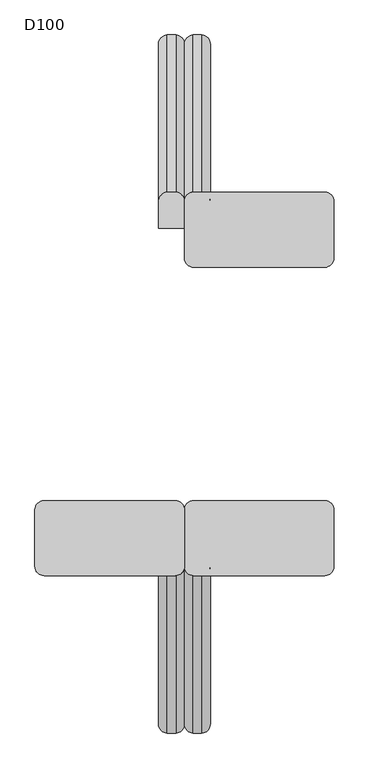
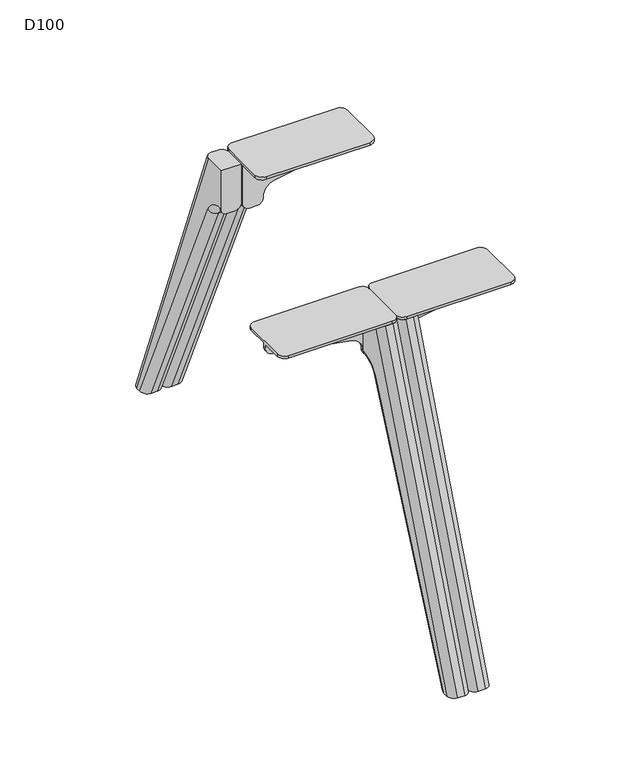
"""IFC4 building model written with IfcOpenShell, lengths in millimetres: furniture geometry, D100."""

from ifc_helpers import new_model, si_unit, point, frame, origin, place, context, project, spatial, polyline, circle_curve, ellipse_curve, trimmed, source, transform, mapped, element, save
from ifc_brep_helpers import plane_surface, cylinder_surface, revolved_surface, advanced_brep


def d100_0b117bc7(model_context):
    return source(origin(), model_context, "Body", "AdvancedBrep", [
        advanced_brep(
        [(-15.0, 272.7758244, 596.0), (0.0, 272.7758244, 611.0), (0.0, 270.7236545, 611.0), (-15.0, 270.7236545, 596.0), (-45.0, 272.7758244, 611.0), (-30.0, 272.7758244, 596.0), (-30.0, 270.7236545, 596.0), (-45.0, 270.7236545, 611.0), (0.0, 319.3435487, 580.82862), (-15.0, 305.6533176, 574.6985653), (-15.0, 562.9852524, 0.0), (0.0, 579.4203292, 0.0), (-30.0, 305.6533176, 574.6985653), (-45.0, 319.3435487, 580.82862), (-45.0, 579.4203292, 0.0), (-30.0, 562.9852524, 0.0), (-45.0, 270.7236545, 700.0), (-45.0, 316.6217076, 700.0), (-45.0, 589.8218305, 0.0), (0.0, 270.7236545, 700.0), (0.0, 589.8218305, 0.0), (0.0, 316.6217076, 700.0), (-15.0, 332.7236545, 700.0), (-30.0, 332.7236545, 700.0), (-15.0, 605.9237773, 0.0), (-30.0, 605.9237773, 0.0)],
        [
            (0, 1, circle_curve(frame((-15.0, 272.7758244, 611.0), z_axis=(0.0, -1.0, 0.0), x_axis=(0.0, 0.0, -1.0)), 15.0)),
            (1, 2),
            (2, 3, circle_curve(frame((-15.0, 270.7236545, 611.0), z_axis=(0.0, 1.0, 0.0), x_axis=(0.0, 0.0, -1.0)), 15.0)),
            (3, 0),
            (4, 5, circle_curve(frame((-30.0, 272.7758244, 611.0), z_axis=(0.0, -1.0, 0.0), x_axis=(0.0, 0.0, -1.0)), 15.0)),
            (5, 6),
            (6, 7, circle_curve(frame((-30.0, 270.7236545, 611.0), z_axis=(0.0, 1.0, 0.0), x_axis=(0.0, 0.0, -1.0)), 15.0)),
            (7, 4),
            (8, 9, circle_curve(frame((-15.0, 319.3435487, 580.82862), z_axis=(0.0, 0.4086703164969099, -0.9126820763082375), x_axis=(0.0, -0.9126820763082375, -0.4086703164969099)), 15.0)),
            (9, 10),
            (10, 11, ellipse_curve(frame((-15.0, 579.4203292, 0.0), z_axis=(0.0, 0.0, 1.0), x_axis=(0.0, 1.0, 0.0)), 16.4350768, 15.0)),
            (11, 8),
            (12, 13, circle_curve(frame((-30.0, 319.3435487, 580.82862), z_axis=(0.0, 0.4086703164969099, -0.9126820763082375), x_axis=(0.0, -0.9126820763082375, -0.4086703164969099)), 15.0)),
            (13, 14),
            (14, 15, ellipse_curve(frame((-30.0, 579.4203292, 0.0), z_axis=(0.0, 0.0, 1.0), x_axis=(0.0, 1.0, 0.0)), 16.4350768, 15.0)),
            (15, 12),
            (0, 9, circle_curve(frame((-15.0, 272.7758244, 559.9770583), z_axis=(-1.0, 0.0, 0.0), x_axis=(0.0, 0.0, 1.0)), 36.0229417)),
            (8, 1, circle_curve(frame((0.0, 272.7758244, 559.9770583), z_axis=(1.0, 0.0, 0.0), x_axis=(0.0, 0.0, 1.0)), 51.0229417)),
            (4, 13, circle_curve(frame((-45.0, 272.7758244, 559.9770583), z_axis=(-1.0, 0.0, 0.0), x_axis=(0.0, 0.0, 1.0)), 51.0229417)),
            (12, 5, circle_curve(frame((-30.0, 272.7758244, 559.9770583), z_axis=(1.0, 0.0, 0.0), x_axis=(0.0, 0.0, 1.0)), 36.0229417)),
            (7, 16),
            (16, 17),
            (17, 18),
            (18, 14),
            (19, 2),
            (11, 20),
            (20, 21),
            (21, 19),
            (16, 19),
            (21, 22, ellipse_curve(frame((-15.0, 316.6217076, 700.0), z_axis=(0.0, 0.0, 1.0), x_axis=(0.0, -1.0, 0.0)), 16.1019468, 15.0)),
            (22, 23),
            (23, 17, ellipse_curve(frame((-30.0, 316.6217076, 700.0), z_axis=(0.0, 0.0, 1.0), x_axis=(0.0, -1.0, 0.0)), 16.1019468, 15.0)),
            (22, 24),
            (24, 25),
            (25, 23),
            (10, 15),
            (18, 25, ellipse_curve(frame((-30.0, 589.8218305, 0.0), z_axis=(0.0, 0.0, -1.0), x_axis=(0.0, -0.9999999999999999, 0.0)), 16.1019468, 15.0)),
            (24, 20, ellipse_curve(frame((-15.0, 589.8218305, 0.0), z_axis=(0.0, 0.0, -1.0), x_axis=(0.0, -0.9999999999999999, 0.0)), 16.1019468, 15.0)),
            (9, 12),
            (0, 5),
            (3, 6),
        ],
        [
            cylinder_surface(frame((-15.0, -272.7758244, 611.0), z_axis=(0.0, 1.0, 0.0), x_axis=(0.0, 0.0, -1.0)), 15.0),
            cylinder_surface(frame((-30.0, -272.7758244, 611.0), z_axis=(0.0, 1.0, 0.0), x_axis=(0.0, 0.0, -1.0)), 15.0),
            cylinder_surface(frame((-15.0, 319.3435487, 580.82862), z_axis=(0.0, 0.4086703164969099, -0.9126820763082375), x_axis=(0.0, -0.9126820763082375, -0.4086703164969099)), 15.0),
            cylinder_surface(frame((-30.0, 319.3435487, 580.82862), z_axis=(0.0, 0.4086703164969099, -0.9126820763082375), x_axis=(0.0, -0.9126820763082375, -0.4086703164969099)), 15.0),
            revolved_surface(trimmed(ellipse_curve(frame((-15.0, 272.7758244, 611.0), z_axis=(0.0, -1.0, 0.0), x_axis=(0.0, 0.0, -1.0)), 15.0, 15.0), [point((-15.0, 272.7758244, 596.0))], [point((0.0, 272.7758244, 611.0))], True, "CARTESIAN"), (-782.0, 272.7758244, 559.9770583), (-1.0, 0.0, 0.0)),
            revolved_surface(trimmed(ellipse_curve(frame((-30.0, 272.7758244, 611.0), z_axis=(0.0, -1.0, 0.0), x_axis=(0.0, 0.0, -1.0)), 15.0, 15.0), [point((-45.0, 272.7758244, 611.0))], [point((-30.0, 272.7758244, 596.0))], True, "CARTESIAN"), (-782.0, 272.7758244, 559.9770583), (-1.0, 0.0, 0.0)),
            plane_surface(frame((-45.0, 291.5455549, 700.0), z_axis=(-1.0, 0.0, 0.0), x_axis=(0.0, 1.0, 0.0))),
            plane_surface(frame((0.0, 291.5455549, 700.0), z_axis=(1.0, 0.0, 0.0), x_axis=(0.0, -1.0, 0.0))),
            plane_surface(frame((-45.0, 270.7236545, 700.0), z_axis=(0.0, 0.0, 1.0), x_axis=(1.0, 0.0, 0.0))),
            plane_surface(frame((-45.0, 332.7236545, 700.0), z_axis=(0.0, 0.9315643722265751, 0.3635764299265108), x_axis=(1.0, 0.0, 0.0))),
            plane_surface(frame((-45.0, 605.9237773, 0.0), z_axis=(0.0, 0.0, -1.0), x_axis=(1.0, 0.0, 0.0))),
            plane_surface(frame((-45.0, 562.9852524, 0.0), z_axis=(0.0, -0.9126820763082374, -0.40867031649691016), x_axis=(1.0, 0.0, 0.0))),
            revolved_surface(polyline([(-15.0, 236.7528827, 559.9770583), (-30.0, 236.7528827, 559.9770583)]), (0.0, 272.7758244, 559.9770583), (1.0, 0.0, 0.0)),
            plane_surface(frame((-45.0, 272.7758244, 596.0), z_axis=(0.0, 0.0, -1.0), x_axis=(1.0, 0.0, 0.0))),
            plane_surface(frame((-45.0, 270.7236545, 596.0), z_axis=(0.0, -1.0, 0.0), x_axis=(1.0, 0.0, 0.0))),
            cylinder_surface(frame((-15.0, 599.6644228, -25.2189296), z_axis=(0.0, -0.3635764299265101, 0.9315643722265754), x_axis=(0.0, 0.9315643722265754, 0.3635764299265101)), 15.0),
            cylinder_surface(frame((-30.0, 599.6644228, -25.2189296), z_axis=(0.0, -0.3635764299265101, 0.9315643722265754), x_axis=(0.0, 0.9315643722265754, 0.3635764299265101)), 15.0),
        ],
        [
            (0, [[1, 2, 3, 4]]),
            (1, [[5, 6, 7, 8]]),
            (2, [[9, 10, 11, 12]]),
            (3, [[13, 14, 15, 16]]),
            (4, [[-1, 17, -9, 18]]),
            (5, [[-5, 19, -13, 20]]),
            (6, [[21, 22, 23, 24, -14, -19, -8]]),
            (7, [[25, -2, -18, -12, 26, 27, 28]]),
            (8, [[29, -28, 30, 31, 32, -22]]),
            (9, [[-31, 33, 34, 35]]),
            (10, [[36, -15, -24, 37, -34, 38, -26, -11]]),
            (11, [[-36, -10, 39, -16]]),
            (12, [[-39, -17, 40, -20]]),
            (13, [[-40, -4, 41, -6]]),
            (14, [[-29, -21, -7, -41, -3, -25]]),
            (15, [[-27, -38, -33, -30]]),
            (16, [[-23, -32, -35, -37]]),
        ],
    ),
        advanced_brep(
        [(-69.7259826, -270.7236545, 641.5327762), (-44.9963104, -270.7236545, 611.3326759), (-45.0, -270.7236545, 611.0), (-30.0, -270.7236545, 596.0), (-15.0, -270.7236545, 596.0), (0.0, -270.7236545, 611.0), (0.0, -270.7236545, 700.0), (-260.0, -270.7236545, 700.0), (-260.0, -270.7236545, 692.1898324), (-243.5086325, -270.7236545, 672.5), (-69.7259826, -264.7236545, 641.5327762), (-243.5086325, -264.7236545, 672.5), (-260.0, -264.7236545, 692.1898324), (-260.0, -264.7236545, 700.0), (0.0, -264.7236545, 700.0), (0.0, -264.7236545, 611.0), (-15.0, -264.7236545, 596.0), (-30.0, -264.7236545, 596.0), (-45.0, -264.7236545, 611.0), (-44.9963104, -264.7236545, 611.3326759), (0.0, -218.7236545, 700.0), (0.0, -218.7236545, 706.0), (0.0, -316.7236545, 706.0), (0.0, -316.7236545, 700.0), (-16.0, -202.7236545, 706.0), (-244.0, -202.7236545, 706.0), (-260.0, -218.7236545, 706.0), (-260.0, -316.7236545, 706.0), (-244.0, -332.7236545, 706.0), (-16.0, -332.7236545, 706.0), (-260.0, -218.7236545, 700.0), (-260.0, -316.7236545, 700.0), (-16.0, -202.7236545, 700.0), (-244.0, -202.7236545, 700.0), (-16.0, -332.7236545, 700.0), (-244.0, -332.7236545, 700.0)],
        [
            (0, 1, circle_curve(frame((-74.9889313, -270.7236545, 611.9980276), z_axis=(0.0, 1.0, 0.0), x_axis=(1.0, 0.0, 0.0)), 30.0)),
            (1, 2, circle_curve(frame((-30.0, -270.7236545, 611.0), z_axis=(0.0, -1.0, 0.0), x_axis=(1.0, 0.0, 0.0)), 15.0)),
            (2, 3, circle_curve(frame((-30.0, -270.7236545, 611.0), z_axis=(0.0, -1.0, 0.0), x_axis=(1.0, 0.0, 0.0)), 15.0)),
            (3, 4),
            (4, 5, circle_curve(frame((-15.0, -270.7236545, 611.0), z_axis=(0.0, -1.0, 0.0), x_axis=(1.0, 0.0, 0.0)), 15.0)),
            (5, 6),
            (6, 7),
            (7, 8),
            (8, 9, circle_curve(frame((-240.0, -270.7236545, 692.1898324), z_axis=(0.0, -1.0, 0.0), x_axis=(1.0, 0.0, 0.0)), 20.0)),
            (9, 0),
            (10, 11),
            (11, 12, circle_curve(frame((-240.0, -264.7236545, 692.1898324), z_axis=(0.0, 1.0, 0.0), x_axis=(1.0, 0.0, 0.0)), 20.0)),
            (12, 13),
            (13, 14),
            (14, 15),
            (15, 16, circle_curve(frame((-15.0, -264.7236545, 611.0), z_axis=(0.0, 1.0, 0.0), x_axis=(1.0, 0.0, 0.0)), 15.0)),
            (16, 17),
            (17, 18, circle_curve(frame((-30.0, -264.7236545, 611.0), z_axis=(0.0, 1.0, 0.0), x_axis=(1.0, 0.0, 0.0)), 15.0)),
            (18, 19, circle_curve(frame((-30.0, -264.7236545, 611.0), z_axis=(0.0, 1.0, 0.0), x_axis=(1.0, 0.0, 0.0)), 15.0)),
            (19, 10, circle_curve(frame((-74.9889313, -264.7236545, 611.9980276), z_axis=(0.0, -1.0, 0.0), x_axis=(1.0, 0.0, 0.0)), 30.0)),
            (0, 10),
            (19, 1),
            (5, 15),
            (14, 20),
            (20, 21),
            (21, 22),
            (22, 23),
            (23, 6),
            (21, 24, circle_curve(frame((-16.0, -218.7236545, 706.0), z_axis=(0.0, 0.0, 1.0), x_axis=(-1.0, 0.0, 0.0)), 16.0)),
            (24, 25),
            (25, 26, circle_curve(frame((-244.0, -218.7236545, 706.0), z_axis=(0.0, 0.0, 1.0), x_axis=(-1.0, 0.0, 0.0)), 16.0)),
            (26, 27),
            (27, 28, circle_curve(frame((-244.0, -316.7236545, 706.0), z_axis=(0.0, 0.0, 1.0), x_axis=(-1.0, 0.0, 0.0)), 16.0)),
            (28, 29),
            (29, 22, circle_curve(frame((-16.0, -316.7236545, 706.0), z_axis=(0.0, 0.0, 1.0), x_axis=(-1.0, 0.0, 0.0)), 16.0)),
            (26, 30),
            (30, 13),
            (12, 8),
            (7, 31),
            (31, 27),
            (11, 9),
            (17, 3),
            (16, 4),
            (32, 20, circle_curve(frame((-16.0, -218.7236545, 700.0), z_axis=(0.0, 0.0, -1.0), x_axis=(-1.0, 0.0, 0.0)), 16.0)),
            (30, 33, circle_curve(frame((-244.0, -218.7236545, 700.0), z_axis=(0.0, 0.0, -1.0), x_axis=(-1.0, 0.0, 0.0)), 16.0)),
            (33, 32),
            (23, 34, circle_curve(frame((-16.0, -316.7236545, 700.0), z_axis=(0.0, 0.0, -1.0), x_axis=(-1.0, 0.0, 0.0)), 16.0)),
            (34, 35),
            (35, 31, circle_curve(frame((-244.0, -316.7236545, 700.0), z_axis=(0.0, 0.0, -1.0), x_axis=(-1.0, 0.0, 0.0)), 16.0)),
            (32, 24),
            (29, 34),
            (28, 35),
            (25, 33),
        ],
        [
            plane_surface(frame((-44.9889313, -270.7236545, 611.9980276), z_axis=(0.0, -1.0, 0.0), x_axis=(0.0, 0.0, -1.0))),
            plane_surface(frame((-44.9889313, -264.7236545, 611.9980276), z_axis=(0.0, 1.0, 0.0), x_axis=(0.0, 0.0, 1.0))),
            revolved_surface(polyline([(-44.988931300000004, -264.7236545, 611.9980276), (-44.988931300000004, -270.7236545, 611.9980276)]), (-74.9889313, -264.7236545, 611.9980276), (0.0, 1.0, 0.0)),
            plane_surface(frame((0.0, -270.7236545, 611.0), z_axis=(1.0, 0.0, 0.0), x_axis=(0.0, 1.0, 0.0))),
            plane_surface(frame((0.0, -270.7236545, 706.0), z_axis=(0.0, 0.0, 1.0), x_axis=(0.0, 1.0, 0.0))),
            plane_surface(frame((-260.0, -270.7236545, 706.0), z_axis=(-1.0, 0.0, 0.0), x_axis=(0.0, 1.0, 0.0))),
            cylinder_surface(frame((-240.0, -264.7236545, 692.1898324), z_axis=(0.0, -1.0, 0.0), x_axis=(1.0, 0.0, 0.0)), 20.0),
            plane_surface(frame((-243.5086325, -270.7236545, 672.5), z_axis=(-0.17543162299465068, 0.0, -0.9844916178685641), x_axis=(0.0, 1.0, 0.0))),
            cylinder_surface(frame((-30.0, -264.7236545, 611.0), z_axis=(0.0, -1.0, 0.0), x_axis=(1.0, 0.0, 0.0)), 15.0),
            plane_surface(frame((-30.0, -270.7236545, 596.0), z_axis=(0.0, 0.0, -1.0), x_axis=(0.0, 1.0, 0.0))),
            cylinder_surface(frame((-15.0, -264.7236545, 611.0), z_axis=(0.0, -1.0, 0.0), x_axis=(1.0, 0.0, 0.0)), 15.0),
            plane_surface(frame((-244.0, -202.7236545, 700.0), z_axis=(0.0, 0.0, -1.0), x_axis=(1.0, 0.0, 0.0))),
            cylinder_surface(frame((-16.0, -218.7236545, 700.0), z_axis=(0.0, 0.0, 1.0), x_axis=(-1.0, 0.0, 0.0)), 16.0),
            cylinder_surface(frame((-16.0, -316.7236545, 700.0), z_axis=(0.0, 0.0, 1.0), x_axis=(-1.0, 0.0, 0.0)), 16.0),
            plane_surface(frame((-244.0, -332.7236545, 706.0), z_axis=(0.0, -1.0, 0.0), x_axis=(0.0, 0.0, -1.0))),
            cylinder_surface(frame((-244.0, -316.7236545, 700.0), z_axis=(0.0, 0.0, 1.0), x_axis=(-1.0, 0.0, 0.0)), 16.0),
            cylinder_surface(frame((-244.0, -218.7236545, 700.0), z_axis=(0.0, 0.0, 1.0), x_axis=(-1.0, 0.0, 0.0)), 16.0),
            plane_surface(frame((-16.0, -202.7236545, 706.0), z_axis=(0.0, 1.0, 0.0), x_axis=(0.0, 0.0, -1.0))),
        ],
        [
            (0, [[1, 2, 3, 4, 5, 6, 7, 8, 9, 10]]),
            (1, [[11, 12, 13, 14, 15, 16, 17, 18, 19, 20]]),
            (2, [[-1, 21, -20, 22]]),
            (3, [[23, -15, 24, 25, 26, 27, 28, -6]]),
            (4, [[-26, 29, 30, 31, 32, 33, 34, 35]]),
            (5, [[-32, 36, 37, -13, 38, -8, 39, 40]]),
            (6, [[-9, -38, -12, 41]]),
            (7, [[-10, -41, -11, -21]]),
            (8, [[-22, -19, -18, 42, -3, -2]]),
            (9, [[-4, -42, -17, 43]]),
            (10, [[-5, -43, -16, -23]]),
            (11, [[44, -24, -14, -37, 45, 46]]),
            (11, [[47, 48, 49, -39, -7, -28]]),
            (12, [[-29, -25, -44, 50]]),
            (13, [[-35, 51, -47, -27]]),
            (14, [[-34, 52, -48, -51]]),
            (15, [[-33, -40, -49, -52]]),
            (16, [[-31, 53, -45, -36]]),
            (17, [[-30, -50, -46, -53]]),
        ],
    ),
        advanced_brep(
        [(-45.0, -270.7236545, 700.0), (-45.0, -270.7236545, 611.0), (-45.0, -272.7758244, 611.0), (-45.0, -319.3435487, 580.82862), (-45.0, -579.4203292, 0.0), (-45.0, -589.8218305, 0.0), (-45.0, -316.6217076, 700.0), (0.0, -270.7236545, 611.0), (0.0, -270.7236545, 700.0), (0.0, -316.6217076, 700.0), (0.0, -589.8218305, 0.0), (0.0, -579.4203292, 0.0), (0.0, -319.3435487, 580.82862), (0.0, -272.7758244, 611.0), (-30.0, -332.7236545, 700.0), (-15.0, -332.7236545, 700.0), (-30.0, -605.9237773, 0.0), (-15.0, -605.9237773, 0.0), (-30.0, -562.9852524, 0.0), (-15.0, -562.9852524, 0.0), (-30.0, -305.6533176, 574.6985653), (-15.0, -305.6533176, 574.6985653), (-30.0, -272.7758244, 596.0), (-15.0, -272.7758244, 596.0), (-30.0, -270.7236545, 596.0), (-15.0, -270.7236545, 596.0)],
        [
            (0, 1),
            (1, 2),
            (2, 3, circle_curve(frame((-45.0, -272.7758244, 559.9770583), z_axis=(1.0, 0.0, 0.0), x_axis=(0.0, -0.9126820763082378, 0.4086703164969091)), 51.0229417)),
            (3, 4),
            (4, 5),
            (5, 6),
            (6, 0),
            (7, 8),
            (8, 9),
            (9, 10),
            (10, 11),
            (11, 12),
            (12, 13, circle_curve(frame((0.0, -272.7758244, 559.9770583), z_axis=(-1.0, 0.0, 0.0), x_axis=(0.0, -0.9126820763082378, 0.4086703164969091)), 51.0229417)),
            (13, 7),
            (8, 0),
            (6, 14, ellipse_curve(frame((-30.0, -316.6217076, 700.0), z_axis=(0.0, 0.0, 1.0), x_axis=(0.0, 1.0, 0.0)), 16.1019468, 15.0)),
            (14, 15),
            (15, 9, ellipse_curve(frame((-15.0, -316.6217076, 700.0), z_axis=(0.0, 0.0, 1.0), x_axis=(0.0, 1.0, 0.0)), 16.1019468, 15.0)),
            (14, 16),
            (16, 17),
            (17, 15),
            (18, 19),
            (19, 11, ellipse_curve(frame((-15.0, -579.4203292, 0.0), z_axis=(0.0, 0.0, -1.0), x_axis=(0.0, 1.0, 0.0)), 16.4350768, 15.0)),
            (10, 17, ellipse_curve(frame((-15.0, -589.8218305, 0.0), z_axis=(0.0, 0.0, -1.0), x_axis=(0.0, 0.9999999999999999, 0.0)), 16.1019468, 15.0)),
            (16, 5, ellipse_curve(frame((-30.0, -589.8218305, 0.0), z_axis=(0.0, 0.0, -1.0), x_axis=(0.0, 0.9999999999999999, 0.0)), 16.1019468, 15.0)),
            (4, 18, ellipse_curve(frame((-30.0, -579.4203292, 0.0), z_axis=(0.0, 0.0, -1.0), x_axis=(0.0, 1.0, 0.0)), 16.4350768, 15.0)),
            (18, 20),
            (20, 21),
            (21, 19),
            (20, 22, circle_curve(frame((-30.0, -272.7758244, 559.9770583), z_axis=(-1.0, 0.0, 0.0), x_axis=(0.0, 1.0, 0.0)), 36.0229417)),
            (22, 23),
            (23, 21, circle_curve(frame((-15.0, -272.7758244, 559.9770583), z_axis=(1.0, 0.0, 0.0), x_axis=(0.0, 1.0, 0.0)), 36.0229417)),
            (22, 24),
            (24, 25),
            (25, 23),
            (7, 25, circle_curve(frame((-15.0, -270.7236545, 611.0), z_axis=(0.0, 1.0, 0.0), x_axis=(0.0, 0.0, -1.0)), 15.0)),
            (24, 1, circle_curve(frame((-30.0, -270.7236545, 611.0), z_axis=(0.0, 1.0, 0.0), x_axis=(0.0, 0.0, -1.0)), 15.0)),
            (21, 12, circle_curve(frame((-15.0, -319.3435487, 580.82862), z_axis=(0.0, -0.40867031649690977, -0.9126820763082376), x_axis=(0.0, 0.9126820763082376, -0.40867031649690977)), 15.0)),
            (3, 20, circle_curve(frame((-30.0, -319.3435487, 580.82862), z_axis=(0.0, -0.40867031649690977, -0.9126820763082376), x_axis=(0.0, 0.9126820763082376, -0.40867031649690977)), 15.0)),
            (13, 23, circle_curve(frame((-15.0, -272.7758244, 611.0), z_axis=(0.0, 1.0, 0.0), x_axis=(0.0, 0.0, -1.0)), 15.0)),
            (22, 2, circle_curve(frame((-30.0, -272.7758244, 611.0), z_axis=(0.0, 1.0, 0.0), x_axis=(0.0, 0.0, -1.0)), 15.0)),
        ],
        [
            plane_surface(frame((-45.0, -270.7236545, 596.0), z_axis=(-1.0, 0.0, 0.0), x_axis=(0.0, 0.0, -1.0))),
            plane_surface(frame((0.0, -270.7236545, 596.0), z_axis=(1.0, 0.0, 0.0), x_axis=(0.0, 0.0, 1.0))),
            plane_surface(frame((-45.0, -332.7236545, 700.0), z_axis=(0.0, 0.0, 1.0), x_axis=(1.0, 0.0, 0.0))),
            plane_surface(frame((-45.0, -605.9237773, 0.0), z_axis=(0.0, -0.9315643722265751, 0.3635764299265108), x_axis=(1.0, 0.0, 0.0))),
            plane_surface(frame((-45.0, -562.9852524, 0.0), z_axis=(0.0, 0.0, -1.0), x_axis=(1.0, 0.0, 0.0))),
            plane_surface(frame((-45.0, -305.6533176, 574.6985653), z_axis=(0.0, 0.9126820763082374, -0.40867031649691016), x_axis=(1.0, 0.0, 0.0))),
            revolved_surface(polyline([(-15.0, -236.7528827, 559.9770583), (-30.0, -236.7528827, 559.9770583)]), (0.0, -272.7758244, 559.9770583), (1.0, 0.0, 0.0)),
            plane_surface(frame((-45.0, -270.7236545, 596.0), z_axis=(0.0, 0.0, -1.0), x_axis=(1.0, 0.0, 0.0))),
            plane_surface(frame((-45.0, -270.7236545, 700.0), z_axis=(0.0, 1.0, 0.0), x_axis=(1.0, 0.0, 0.0))),
            cylinder_surface(frame((-15.0, -584.7803586, -11.9705362), z_axis=(0.0, 0.40867031649690977, 0.9126820763082376), x_axis=(0.0, 0.9126820763082376, -0.40867031649690977)), 15.0),
            cylinder_surface(frame((-30.0, -584.7803586, -11.9705362), z_axis=(0.0, 0.40867031649690977, 0.9126820763082376), x_axis=(0.0, 0.9126820763082376, -0.40867031649690977)), 15.0),
            cylinder_surface(frame((-15.0, -272.7758244, 611.0), z_axis=(0.0, 1.0, 0.0), x_axis=(0.0, 0.0, -1.0)), 15.0),
            cylinder_surface(frame((-30.0, -272.7758244, 611.0), z_axis=(0.0, 1.0, 0.0), x_axis=(0.0, 0.0, -1.0)), 15.0),
            revolved_surface(trimmed(ellipse_curve(frame((-15.0, -319.3435487, 580.82862), z_axis=(0.0, -0.4086703164969089, -0.9126820763082379), x_axis=(0.0, 0.9126820763082379, -0.4086703164969089)), 15.0, 15.0), [point((-15.0, -305.6533176, 574.6985653))], [point((0.0, -319.3435487, 580.82862))], True, "CARTESIAN"), (-782.0, -272.7758244, 559.9770583), (-1.0, 0.0, 0.0)),
            revolved_surface(trimmed(ellipse_curve(frame((-30.0, -319.3435487, 580.82862), z_axis=(0.0, -0.4086703164969089, -0.9126820763082379), x_axis=(0.0, 0.9126820763082379, -0.4086703164969089)), 15.0, 15.0), [point((-45.0, -319.3435487, 580.82862))], [point((-30.0, -305.6533176, 574.6985653))], True, "CARTESIAN"), (-782.0, -272.7758244, 559.9770583), (-1.0, 0.0, 0.0)),
            cylinder_surface(frame((-15.0, -599.6644228, -25.2189296), z_axis=(0.0, 0.3635764299265101, 0.9315643722265754), x_axis=(0.0, 0.9315643722265754, -0.3635764299265101)), 15.0),
            cylinder_surface(frame((-30.0, -599.6644228, -25.2189296), z_axis=(0.0, 0.3635764299265101, 0.9315643722265754), x_axis=(0.0, 0.9315643722265754, -0.3635764299265101)), 15.0),
        ],
        [
            (0, [[1, 2, 3, 4, 5, 6, 7]]),
            (1, [[8, 9, 10, 11, 12, 13, 14]]),
            (2, [[15, -7, 16, 17, 18, -9]]),
            (3, [[-17, 19, 20, 21]]),
            (4, [[22, 23, -11, 24, -20, 25, -5, 26]]),
            (5, [[-22, 27, 28, 29]]),
            (6, [[-28, 30, 31, 32]]),
            (7, [[-31, 33, 34, 35]]),
            (8, [[-15, -8, 36, -34, 37, -1]]),
            (9, [[38, -12, -23, -29]]),
            (10, [[39, -27, -26, -4]]),
            (11, [[40, -35, -36, -14]]),
            (12, [[41, -2, -37, -33]]),
            (13, [[-38, -32, -40, -13]]),
            (14, [[-39, -3, -41, -30]]),
            (15, [[-10, -18, -21, -24]]),
            (16, [[-6, -25, -19, -16]]),
        ],
    ),
        advanced_brep(
        [(69.7259826, 270.7236545, 641.5327762), (44.9963104, 270.7236545, 611.3326759), (45.0, 270.7236545, 611.0), (30.0, 270.7236545, 596.0), (15.0, 270.7236545, 596.0), (0.0, 270.7236545, 611.0), (0.0, 270.7236545, 700.0), (260.0, 270.7236545, 700.0), (260.0, 270.7236545, 692.1898324), (243.5086325, 270.7236545, 672.5), (69.7259826, 264.7236545, 641.5327762), (243.5086325, 264.7236545, 672.5), (260.0, 264.7236545, 692.1898324), (260.0, 264.7236545, 700.0), (0.0, 264.7236545, 700.0), (0.0, 264.7236545, 611.0), (15.0, 264.7236545, 596.0), (30.0, 264.7236545, 596.0), (45.0, 264.7236545, 611.0), (44.9963104, 264.7236545, 611.3326759), (0.0, 218.7236545, 700.0), (0.0, 218.7236545, 706.0), (0.0, 316.7236545, 706.0), (0.0, 316.7236545, 700.0), (16.0, 202.7236545, 706.0), (244.0, 202.7236545, 706.0), (260.0, 218.7236545, 706.0), (260.0, 316.7236545, 706.0), (244.0, 332.7236545, 706.0), (16.0, 332.7236545, 706.0), (260.0, 218.7236545, 700.0), (260.0, 316.7236545, 700.0), (16.0, 202.7236545, 700.0), (244.0, 202.7236545, 700.0), (16.0, 332.7236545, 700.0), (244.0, 332.7236545, 700.0)],
        [
            (0, 1, circle_curve(frame((74.9889313, 270.7236545, 611.9980276), z_axis=(0.0, -1.0, 0.0), x_axis=(-1.0, 0.0, 0.0)), 30.0)),
            (1, 2, circle_curve(frame((30.0, 270.7236545, 611.0), z_axis=(0.0, 1.0, 0.0), x_axis=(-1.0, 0.0, 0.0)), 15.0)),
            (2, 3, circle_curve(frame((30.0, 270.7236545, 611.0), z_axis=(0.0, 1.0, 0.0), x_axis=(-1.0, 0.0, 0.0)), 15.0)),
            (3, 4),
            (4, 5, circle_curve(frame((15.0, 270.7236545, 611.0), z_axis=(0.0, 1.0, 0.0), x_axis=(-1.0, 0.0, 0.0)), 15.0)),
            (5, 6),
            (6, 7),
            (7, 8),
            (8, 9, circle_curve(frame((240.0, 270.7236545, 692.1898324), z_axis=(0.0, 1.0, 0.0), x_axis=(-1.0, 0.0, 0.0)), 20.0)),
            (9, 0),
            (10, 11),
            (11, 12, circle_curve(frame((240.0, 264.7236545, 692.1898324), z_axis=(0.0, -1.0, 0.0), x_axis=(-1.0, 0.0, 0.0)), 20.0)),
            (12, 13),
            (13, 14),
            (14, 15),
            (15, 16, circle_curve(frame((15.0, 264.7236545, 611.0), z_axis=(0.0, -1.0, 0.0), x_axis=(-1.0, 0.0, 0.0)), 15.0)),
            (16, 17),
            (17, 18, circle_curve(frame((30.0, 264.7236545, 611.0), z_axis=(0.0, -1.0, 0.0), x_axis=(-1.0, 0.0, 0.0)), 15.0)),
            (18, 19, circle_curve(frame((30.0, 264.7236545, 611.0), z_axis=(0.0, -1.0, 0.0), x_axis=(-1.0, 0.0, 0.0)), 15.0)),
            (19, 10, circle_curve(frame((74.9889313, 264.7236545, 611.9980276), z_axis=(0.0, 1.0, 0.0), x_axis=(-1.0, 0.0, 0.0)), 30.0)),
            (0, 10),
            (19, 1),
            (5, 15),
            (14, 20),
            (20, 21),
            (21, 22),
            (22, 23),
            (23, 6),
            (21, 24, circle_curve(frame((16.0, 218.7236545, 706.0), z_axis=(0.0, 0.0, 1.0), x_axis=(1.0, 0.0, 0.0)), 16.0)),
            (24, 25),
            (25, 26, circle_curve(frame((244.0, 218.7236545, 706.0), z_axis=(0.0, 0.0, 1.0), x_axis=(1.0, 0.0, 0.0)), 16.0)),
            (26, 27),
            (27, 28, circle_curve(frame((244.0, 316.7236545, 706.0), z_axis=(0.0, 0.0, 1.0), x_axis=(1.0, 0.0, 0.0)), 16.0)),
            (28, 29),
            (29, 22, circle_curve(frame((16.0, 316.7236545, 706.0), z_axis=(0.0, 0.0, 1.0), x_axis=(1.0, 0.0, 0.0)), 16.0)),
            (26, 30),
            (30, 13),
            (12, 8),
            (7, 31),
            (31, 27),
            (11, 9),
            (17, 3),
            (16, 4),
            (32, 20, circle_curve(frame((16.0, 218.7236545, 700.0), z_axis=(0.0, 0.0, -1.0), x_axis=(1.0, 0.0, 0.0)), 16.0)),
            (30, 33, circle_curve(frame((244.0, 218.7236545, 700.0), z_axis=(0.0, 0.0, -1.0), x_axis=(1.0, 0.0, 0.0)), 16.0)),
            (33, 32),
            (23, 34, circle_curve(frame((16.0, 316.7236545, 700.0), z_axis=(0.0, 0.0, -1.0), x_axis=(1.0, 0.0, 0.0)), 16.0)),
            (34, 35),
            (35, 31, circle_curve(frame((244.0, 316.7236545, 700.0), z_axis=(0.0, 0.0, -1.0), x_axis=(1.0, 0.0, 0.0)), 16.0)),
            (32, 24),
            (29, 34),
            (28, 35),
            (25, 33),
        ],
        [
            plane_surface(frame((44.9889313, 270.7236545, 611.9980276), z_axis=(0.0, 1.0, 0.0), x_axis=(0.0, 0.0, -1.0))),
            plane_surface(frame((44.9889313, 264.7236545, 611.9980276), z_axis=(0.0, -1.0, 0.0), x_axis=(0.0, 0.0, 1.0))),
            revolved_surface(polyline([(44.988931300000004, 264.7236545, 611.9980276), (44.988931300000004, 270.7236545, 611.9980276)]), (74.9889313, 264.7236545, 611.9980276), (0.0, -1.0, 0.0)),
            plane_surface(frame((0.0, 270.7236545, 611.0), z_axis=(-1.0, 0.0, 0.0), x_axis=(0.0, -1.0, 0.0))),
            plane_surface(frame((0.0, 270.7236545, 706.0), z_axis=(0.0, 0.0, 1.0), x_axis=(0.0, -1.0, 0.0))),
            plane_surface(frame((260.0, 270.7236545, 706.0), z_axis=(1.0, 0.0, 0.0), x_axis=(0.0, -1.0, 0.0))),
            cylinder_surface(frame((240.0, 264.7236545, 692.1898324), z_axis=(0.0, 1.0, 0.0), x_axis=(-1.0, 0.0, 0.0)), 20.0),
            plane_surface(frame((243.5086325, 270.7236545, 672.5), z_axis=(0.17543162299465068, 0.0, -0.9844916178685641), x_axis=(0.0, -1.0, 0.0))),
            cylinder_surface(frame((30.0, 264.7236545, 611.0), z_axis=(0.0, 1.0, 0.0), x_axis=(-1.0, 0.0, 0.0)), 15.0),
            plane_surface(frame((30.0, 270.7236545, 596.0), z_axis=(0.0, 0.0, -1.0), x_axis=(0.0, -1.0, 0.0))),
            cylinder_surface(frame((15.0, 264.7236545, 611.0), z_axis=(0.0, 1.0, 0.0), x_axis=(-1.0, 0.0, 0.0)), 15.0),
            plane_surface(frame((244.0, 202.7236545, 700.0), z_axis=(0.0, 0.0, -1.0), x_axis=(-1.0, 0.0, 0.0))),
            cylinder_surface(frame((16.0, 218.7236545, 700.0), z_axis=(0.0, 0.0, 1.0), x_axis=(1.0, 0.0, 0.0)), 16.0),
            cylinder_surface(frame((16.0, 316.7236545, 700.0), z_axis=(0.0, 0.0, 1.0), x_axis=(1.0, 0.0, 0.0)), 16.0),
            plane_surface(frame((244.0, 332.7236545, 706.0), z_axis=(0.0, 1.0, 0.0), x_axis=(0.0, 0.0, -1.0))),
            cylinder_surface(frame((244.0, 316.7236545, 700.0), z_axis=(0.0, 0.0, 1.0), x_axis=(1.0, 0.0, 0.0)), 16.0),
            cylinder_surface(frame((244.0, 218.7236545, 700.0), z_axis=(0.0, 0.0, 1.0), x_axis=(1.0, 0.0, 0.0)), 16.0),
            plane_surface(frame((16.0, 202.7236545, 706.0), z_axis=(0.0, -1.0, 0.0), x_axis=(0.0, 0.0, -1.0))),
        ],
        [
            (0, [[1, 2, 3, 4, 5, 6, 7, 8, 9, 10]]),
            (1, [[11, 12, 13, 14, 15, 16, 17, 18, 19, 20]]),
            (2, [[-1, 21, -20, 22]]),
            (3, [[23, -15, 24, 25, 26, 27, 28, -6]]),
            (4, [[-26, 29, 30, 31, 32, 33, 34, 35]]),
            (5, [[-32, 36, 37, -13, 38, -8, 39, 40]]),
            (6, [[-9, -38, -12, 41]]),
            (7, [[-10, -41, -11, -21]]),
            (8, [[-22, -19, -18, 42, -3, -2]]),
            (9, [[-4, -42, -17, 43]]),
            (10, [[-5, -43, -16, -23]]),
            (11, [[44, -24, -14, -37, 45, 46]]),
            (11, [[47, 48, 49, -39, -7, -28]]),
            (12, [[-29, -25, -44, 50]]),
            (13, [[-35, 51, -47, -27]]),
            (14, [[-34, 52, -48, -51]]),
            (15, [[-33, -40, -49, -52]]),
            (16, [[-31, 53, -45, -36]]),
            (17, [[-30, -50, -46, -53]]),
        ],
    ),
        advanced_brep(
        [(0.0, 272.7758244, 611.0), (15.0, 272.7758244, 596.0), (15.0, 270.7236545, 596.0), (0.0, 270.7236545, 611.0), (30.0, 272.7758244, 596.0), (45.0, 272.7758244, 611.0), (45.0, 270.7236545, 611.0), (30.0, 270.7236545, 596.0), (15.0, 305.6533176, 574.6985653), (0.0, 319.3435487, 580.82862), (0.0, 579.4203292, 0.0), (15.0, 562.9852524, 0.0), (45.0, 319.3435487, 580.82862), (30.0, 305.6533176, 574.6985653), (30.0, 562.9852524, 0.0), (45.0, 579.4203292, 0.0), (45.0, 270.7236545, 700.0), (45.0, 589.8218305, 0.0), (45.0, 316.6217076, 700.0), (0.0, 270.7236545, 700.0), (0.0, 316.6217076, 700.0), (0.0, 589.8218305, 0.0), (30.0, 332.7236545, 700.0), (15.0, 332.7236545, 700.0), (30.0, 605.9237773, 0.0), (15.0, 605.9237773, 0.0)],
        [
            (0, 1, circle_curve(frame((15.0, 272.7758244, 611.0), z_axis=(0.0, -1.0, 0.0), x_axis=(0.0, 0.0, 1.0)), 15.0)),
            (1, 2),
            (2, 3, circle_curve(frame((15.0, 270.7236545, 611.0), z_axis=(0.0, 1.0, 0.0), x_axis=(0.0, 0.0, 1.0)), 15.0)),
            (3, 0),
            (4, 5, circle_curve(frame((30.0, 272.7758244, 611.0), z_axis=(0.0, -1.0, 0.0), x_axis=(0.0, 0.0, 1.0)), 15.0)),
            (5, 6),
            (6, 7, circle_curve(frame((30.0, 270.7236545, 611.0), z_axis=(0.0, 1.0, 0.0), x_axis=(0.0, 0.0, 1.0)), 15.0)),
            (7, 4),
            (8, 9, circle_curve(frame((15.0, 319.3435487, 580.82862), z_axis=(0.0, 0.4086703164969099, -0.9126820763082375), x_axis=(0.0, 0.9126820763082375, 0.4086703164969099)), 15.0)),
            (9, 10),
            (10, 11, ellipse_curve(frame((15.0, 579.4203292, 0.0), z_axis=(0.0, 0.0, 1.0), x_axis=(0.0, 1.0, 0.0)), 16.4350768, 15.0)),
            (11, 8),
            (12, 13, circle_curve(frame((30.0, 319.3435487, 580.82862), z_axis=(0.0, 0.4086703164969099, -0.9126820763082375), x_axis=(0.0, 0.9126820763082375, 0.4086703164969099)), 15.0)),
            (13, 14),
            (14, 15, ellipse_curve(frame((30.0, 579.4203292, 0.0), z_axis=(0.0, 0.0, 1.0), x_axis=(0.0, 1.0, 0.0)), 16.4350768, 15.0)),
            (15, 12),
            (0, 9, circle_curve(frame((0.0, 272.7758244, 559.9770583), z_axis=(-1.0, 0.0, 0.0), x_axis=(0.0, 0.0, 1.0)), 51.0229417)),
            (8, 1, circle_curve(frame((15.0, 272.7758244, 559.9770583), z_axis=(1.0, 0.0, 0.0), x_axis=(0.0, 0.0, 1.0)), 36.0229417)),
            (4, 13, circle_curve(frame((30.0, 272.7758244, 559.9770583), z_axis=(-1.0, 0.0, 0.0), x_axis=(0.0, 0.0, 1.0)), 36.0229417)),
            (12, 5, circle_curve(frame((45.0, 272.7758244, 559.9770583), z_axis=(1.0, 0.0, 0.0), x_axis=(0.0, 0.0, 1.0)), 51.0229417)),
            (16, 6),
            (15, 17),
            (17, 18),
            (18, 16),
            (3, 19),
            (19, 20),
            (20, 21),
            (21, 10),
            (19, 16),
            (18, 22, ellipse_curve(frame((30.0, 316.6217076, 700.0), z_axis=(0.0, 0.0, 1.0), x_axis=(0.0, -1.0, 0.0)), 16.1019468, 15.0)),
            (22, 23),
            (23, 20, ellipse_curve(frame((15.0, 316.6217076, 700.0), z_axis=(0.0, 0.0, 1.0), x_axis=(0.0, -1.0, 0.0)), 16.1019468, 15.0)),
            (22, 24),
            (24, 25),
            (25, 23),
            (14, 11),
            (21, 25, ellipse_curve(frame((15.0, 589.8218305, 0.0), z_axis=(0.0, 0.0, -1.0), x_axis=(0.0, -0.9999999999999999, 0.0)), 16.1019468, 15.0)),
            (24, 17, ellipse_curve(frame((30.0, 589.8218305, 0.0), z_axis=(0.0, 0.0, -1.0), x_axis=(0.0, -0.9999999999999999, 0.0)), 16.1019468, 15.0)),
            (13, 8),
            (4, 1),
            (7, 2),
        ],
        [
            cylinder_surface(frame((15.0, -272.7758244, 611.0), z_axis=(0.0, 1.0, 0.0), x_axis=(0.0, 0.0, 1.0)), 15.0),
            cylinder_surface(frame((30.0, -272.7758244, 611.0), z_axis=(0.0, 1.0, 0.0), x_axis=(0.0, 0.0, 1.0)), 15.0),
            cylinder_surface(frame((15.0, 319.3435487, 580.82862), z_axis=(0.0, 0.4086703164969099, -0.9126820763082375), x_axis=(0.0, 0.9126820763082375, 0.4086703164969099)), 15.0),
            cylinder_surface(frame((30.0, 319.3435487, 580.82862), z_axis=(0.0, 0.4086703164969099, -0.9126820763082375), x_axis=(0.0, 0.9126820763082375, 0.4086703164969099)), 15.0),
            revolved_surface(trimmed(ellipse_curve(frame((15.0, 272.7758244, 611.0), z_axis=(0.0, -1.0, 0.0), x_axis=(0.0, 0.0, 1.0)), 15.0, 15.0), [point((0.0, 272.7758244, 611.0))], [point((15.0, 272.7758244, 596.0))], True, "CARTESIAN"), (782.0, 272.7758244, 559.9770583), (-1.0, 0.0, 0.0)),
            revolved_surface(trimmed(ellipse_curve(frame((30.0, 272.7758244, 611.0), z_axis=(0.0, -1.0, 0.0), x_axis=(0.0, 0.0, 1.0)), 15.0, 15.0), [point((30.0, 272.7758244, 596.0))], [point((45.0, 272.7758244, 611.0))], True, "CARTESIAN"), (782.0, 272.7758244, 559.9770583), (-1.0, 0.0, 0.0)),
            plane_surface(frame((45.0, 270.7236545, 596.0), z_axis=(1.0, 0.0, 0.0), x_axis=(0.0, 0.0, -1.0))),
            plane_surface(frame((0.0, 270.7236545, 596.0), z_axis=(-1.0, 0.0, 0.0), x_axis=(0.0, 0.0, 1.0))),
            plane_surface(frame((45.0, 332.7236545, 700.0), z_axis=(0.0, 0.0, 1.0), x_axis=(-1.0, 0.0, 0.0))),
            plane_surface(frame((45.0, 605.9237773, 0.0), z_axis=(0.0, 0.9315643722265751, 0.3635764299265108), x_axis=(-1.0, 0.0, 0.0))),
            plane_surface(frame((45.0, 562.9852524, 0.0), z_axis=(0.0, 0.0, -1.0), x_axis=(-1.0, 0.0, 0.0))),
            plane_surface(frame((45.0, 305.6533176, 574.6985653), z_axis=(0.0, -0.9126820763082374, -0.40867031649691016), x_axis=(-1.0, 0.0, 0.0))),
            revolved_surface(polyline([(15.0, 236.7528827, 559.9770583), (30.0, 236.7528827, 559.9770583)]), (0.0, 272.7758244, 559.9770583), (-1.0, 0.0, 0.0)),
            plane_surface(frame((45.0, 270.7236545, 596.0), z_axis=(0.0, 0.0, -1.0), x_axis=(-1.0, 0.0, 0.0))),
            plane_surface(frame((45.0, 270.7236545, 700.0), z_axis=(0.0, -1.0, 0.0), x_axis=(-1.0, 0.0, 0.0))),
            cylinder_surface(frame((15.0, 599.6644228, -25.2189296), z_axis=(0.0, -0.3635764299265101, 0.9315643722265754), x_axis=(0.0, -0.9315643722265754, -0.3635764299265101)), 15.0),
            cylinder_surface(frame((30.0, 599.6644228, -25.2189296), z_axis=(0.0, -0.3635764299265101, 0.9315643722265754), x_axis=(0.0, -0.9315643722265754, -0.3635764299265101)), 15.0),
        ],
        [
            (0, [[1, 2, 3, 4]]),
            (1, [[5, 6, 7, 8]]),
            (2, [[9, 10, 11, 12]]),
            (3, [[13, 14, 15, 16]]),
            (4, [[-1, 17, -9, 18]]),
            (5, [[-5, 19, -13, 20]]),
            (6, [[21, -6, -20, -16, 22, 23, 24]]),
            (7, [[25, 26, 27, 28, -10, -17, -4]]),
            (8, [[29, -24, 30, 31, 32, -26]]),
            (9, [[-31, 33, 34, 35]]),
            (10, [[36, -11, -28, 37, -34, 38, -22, -15]]),
            (11, [[-36, -14, 39, -12]]),
            (12, [[-39, -19, 40, -18]]),
            (13, [[-40, -8, 41, -2]]),
            (14, [[-29, -25, -3, -41, -7, -21]]),
            (15, [[-27, -32, -35, -37]]),
            (16, [[-23, -38, -33, -30]]),
        ],
    ),
        advanced_brep(
        [(16.0, -202.7236545, 706.0), (0.0, -218.7236545, 706.0), (0.0, -316.7236545, 706.0), (16.0, -332.7236545, 706.0), (244.0, -332.7236545, 706.0), (260.0, -316.7236545, 706.0), (260.0, -218.7236545, 706.0), (244.0, -202.7236545, 706.0), (16.0, -202.7236545, 700.0), (244.0, -202.7236545, 700.0), (260.0, -218.7236545, 700.0), (260.0, -264.7236545, 700.0), (0.0, -264.7236545, 700.0), (0.0, -218.7236545, 700.0), (260.0, -316.7236545, 700.0), (244.0, -332.7236545, 700.0), (16.0, -332.7236545, 700.0), (0.0, -316.7236545, 700.0), (0.0, -270.7236545, 700.0), (260.0, -270.7236545, 700.0), (0.0, -264.7236545, 611.0), (0.0, -270.7236545, 611.0), (260.0, -270.7236545, 692.1898324), (260.0, -264.7236545, 692.1898324), (69.7259826, -270.7236545, 641.5327762), (243.5086325, -270.7236545, 672.5), (15.0, -270.7236545, 596.0), (30.0, -270.7236545, 596.0), (44.9963104, -270.7236545, 611.3326759), (69.7259826, -264.7236545, 641.5327762), (44.9963104, -264.7236545, 611.3326759), (30.0, -264.7236545, 596.0), (15.0, -264.7236545, 596.0), (243.5086325, -264.7236545, 672.5)],
        [
            (0, 1, circle_curve(frame((16.0, -218.7236545, 706.0), z_axis=(0.0, 0.0, 1.0), x_axis=(1.0, 0.0, 0.0)), 16.0)),
            (1, 2),
            (2, 3, circle_curve(frame((16.0, -316.7236545, 706.0), z_axis=(0.0, 0.0, 1.0), x_axis=(1.0, 0.0, 0.0)), 16.0)),
            (3, 4),
            (4, 5, circle_curve(frame((244.0, -316.7236545, 706.0), z_axis=(0.0, 0.0, 1.0), x_axis=(1.0, 0.0, 0.0)), 16.0)),
            (5, 6),
            (6, 7, circle_curve(frame((244.0, -218.7236545, 706.0), z_axis=(0.0, 0.0, 1.0), x_axis=(1.0, 0.0, 0.0)), 16.0)),
            (7, 0),
            (8, 9),
            (9, 10, circle_curve(frame((244.0, -218.7236545, 700.0), z_axis=(0.0, 0.0, -1.0), x_axis=(1.0, 0.0, 0.0)), 16.0)),
            (10, 11),
            (11, 12),
            (12, 13),
            (13, 8, circle_curve(frame((16.0, -218.7236545, 700.0), z_axis=(0.0, 0.0, -1.0), x_axis=(1.0, 0.0, 0.0)), 16.0)),
            (14, 15, circle_curve(frame((244.0, -316.7236545, 700.0), z_axis=(0.0, 0.0, -1.0), x_axis=(1.0, 0.0, 0.0)), 16.0)),
            (15, 16),
            (16, 17, circle_curve(frame((16.0, -316.7236545, 700.0), z_axis=(0.0, 0.0, -1.0), x_axis=(1.0, 0.0, 0.0)), 16.0)),
            (17, 18),
            (18, 19),
            (19, 14),
            (0, 8),
            (13, 1),
            (12, 20),
            (20, 21),
            (21, 18),
            (17, 2),
            (16, 3),
            (15, 4),
            (14, 5),
            (19, 22),
            (22, 23),
            (23, 11),
            (10, 6),
            (9, 7),
            (24, 25),
            (25, 22, circle_curve(frame((240.0, -270.7236545, 692.1898324), z_axis=(0.0, -1.0, 0.0), x_axis=(-1.0, 0.0, 0.0)), 20.0)),
            (21, 26, circle_curve(frame((15.0, -270.7236545, 611.0), z_axis=(0.0, -1.0, 0.0), x_axis=(-1.0, 0.0, 0.0)), 15.0)),
            (26, 27),
            (27, 28, circle_curve(frame((30.0, -270.7236545, 611.0), z_axis=(0.0, -1.0, 0.0), x_axis=(-1.0, 0.0, 0.0)), 15.0)),
            (28, 24, circle_curve(frame((74.9889313, -270.7236545, 611.9980276), z_axis=(0.0, 1.0, 0.0), x_axis=(-1.0, 0.0, 0.0)), 30.0)),
            (29, 30, circle_curve(frame((74.9889313, -264.7236545, 611.9980276), z_axis=(0.0, -1.0, 0.0), x_axis=(-1.0, 0.0, 0.0)), 30.0)),
            (30, 31, circle_curve(frame((30.0, -264.7236545, 611.0), z_axis=(0.0, 1.0, 0.0), x_axis=(-1.0, 0.0, 0.0)), 15.0)),
            (31, 32),
            (32, 20, circle_curve(frame((15.0, -264.7236545, 611.0), z_axis=(0.0, 1.0, 0.0), x_axis=(-1.0, 0.0, 0.0)), 15.0)),
            (23, 33, circle_curve(frame((240.0, -264.7236545, 692.1898324), z_axis=(0.0, 1.0, 0.0), x_axis=(-1.0, 0.0, 0.0)), 20.0)),
            (33, 29),
            (28, 30),
            (29, 24),
            (25, 33),
            (27, 31),
            (26, 32),
        ],
        [
            plane_surface(frame((32.0, -218.7236545, 706.0), z_axis=(0.0, 0.0, 1.0), x_axis=(0.0, 1.0, 0.0))),
            plane_surface(frame((32.0, -218.7236545, 700.0), z_axis=(0.0, 0.0, -1.0), x_axis=(0.0, -1.0, 0.0))),
            cylinder_surface(frame((16.0, -218.7236545, 700.0), z_axis=(0.0, 0.0, 1.0), x_axis=(1.0, 0.0, 0.0)), 16.0),
            plane_surface(frame((0.0, -218.7236545, 706.0), z_axis=(-1.0, 0.0, 0.0), x_axis=(0.0, 0.0, -1.0))),
            cylinder_surface(frame((16.0, -316.7236545, 700.0), z_axis=(0.0, 0.0, 1.0), x_axis=(1.0, 0.0, 0.0)), 16.0),
            plane_surface(frame((16.0, -332.7236545, 706.0), z_axis=(0.0, -1.0, 0.0), x_axis=(0.0, 0.0, -1.0))),
            cylinder_surface(frame((244.0, -316.7236545, 700.0), z_axis=(0.0, 0.0, 1.0), x_axis=(1.0, 0.0, 0.0)), 16.0),
            plane_surface(frame((260.0, -316.7236545, 706.0), z_axis=(1.0, 0.0, 0.0), x_axis=(0.0, 0.0, -1.0))),
            cylinder_surface(frame((244.0, -218.7236545, 700.0), z_axis=(0.0, 0.0, 1.0), x_axis=(1.0, 0.0, 0.0)), 16.0),
            plane_surface(frame((244.0, -202.7236545, 706.0), z_axis=(0.0, 1.0, 0.0), x_axis=(0.0, 0.0, -1.0))),
            plane_surface(frame((243.5086325, -270.7236545, 672.5), z_axis=(0.0, -1.0, 0.0), x_axis=(0.9844916178685641, 0.0, 0.17543162299465068))),
            plane_surface(frame((243.5086325, -264.7236545, 672.5), z_axis=(0.0, 1.0, 0.0), x_axis=(-0.9844916178685641, 0.0, -0.17543162299465068))),
            revolved_surface(polyline([(44.988931300000004, -264.7236545, 611.9980276), (44.988931300000004, -270.7236545, 611.9980276)]), (74.9889313, -264.7236545, 611.9980276), (0.0, 1.0, 0.0)),
            cylinder_surface(frame((240.0, -264.7236545, 692.1898324), z_axis=(0.0, -1.0, 0.0), x_axis=(-1.0, 0.0, 0.0)), 20.0),
            plane_surface(frame((69.7259826, -270.7236545, 641.5327762), z_axis=(0.17543162299465068, 0.0, -0.9844916178685641), x_axis=(0.0, 1.0, 0.0))),
            cylinder_surface(frame((30.0, -264.7236545, 611.0), z_axis=(0.0, -1.0, 0.0), x_axis=(-1.0, 0.0, 0.0)), 15.0),
            plane_surface(frame((15.0, -270.7236545, 596.0), z_axis=(0.0, 0.0, -1.0), x_axis=(0.0, 1.0, 0.0))),
            cylinder_surface(frame((15.0, -264.7236545, 611.0), z_axis=(0.0, -1.0, 0.0), x_axis=(-1.0, 0.0, 0.0)), 15.0),
        ],
        [
            (0, [[1, 2, 3, 4, 5, 6, 7, 8]]),
            (1, [[9, 10, 11, 12, 13, 14]]),
            (1, [[15, 16, 17, 18, 19, 20]]),
            (2, [[-1, 21, -14, 22]]),
            (3, [[-22, -13, 23, 24, 25, -18, 26, -2]]),
            (4, [[-3, -26, -17, 27]]),
            (5, [[-4, -27, -16, 28]]),
            (6, [[-5, -28, -15, 29]]),
            (7, [[-29, -20, 30, 31, 32, -11, 33, -6]]),
            (8, [[-7, -33, -10, 34]]),
            (9, [[-8, -34, -9, -21]]),
            (10, [[35, 36, -30, -19, -25, 37, 38, 39, 40]]),
            (11, [[41, 42, 43, 44, -23, -12, -32, 45, 46]]),
            (12, [[-40, 47, -41, 48]]),
            (13, [[-36, 49, -45, -31]]),
            (14, [[-35, -48, -46, -49]]),
            (15, [[-39, 50, -42, -47]]),
            (16, [[-38, 51, -43, -50]]),
            (17, [[-37, -24, -44, -51]]),
        ],
    ),
        advanced_brep(
        [(45.0, -270.7236545, 611.0), (45.0, -270.7236545, 700.0), (45.0, -316.6217076, 700.0), (45.0, -589.8218305, 0.0), (45.0, -579.4203292, 0.0), (45.0, -319.3435487, 580.82862), (45.0, -272.7758244, 611.0), (0.0, -270.7236545, 700.0), (0.0, -270.7236545, 611.0), (0.0, -272.7758244, 611.0), (0.0, -319.3435487, 580.82862), (0.0, -579.4203292, 0.0), (0.0, -589.8218305, 0.0), (0.0, -316.6217076, 700.0), (15.0, -332.7236545, 700.0), (30.0, -332.7236545, 700.0), (15.0, -605.9237773, 0.0), (30.0, -605.9237773, 0.0), (15.0, -562.9852524, 0.0), (30.0, -562.9852524, 0.0), (15.0, -305.6533176, 574.6985653), (30.0, -305.6533176, 574.6985653), (15.0, -272.7758244, 596.0), (30.0, -272.7758244, 596.0), (15.0, -270.7236545, 596.0), (30.0, -270.7236545, 596.0)],
        [
            (0, 1),
            (1, 2),
            (2, 3),
            (3, 4),
            (4, 5),
            (5, 6, circle_curve(frame((45.0, -272.7758244, 559.9770583), z_axis=(-1.0, 0.0, 0.0), x_axis=(0.0, -0.9126820763082378, 0.4086703164969091)), 51.0229417)),
            (6, 0),
            (7, 8),
            (8, 9),
            (9, 10, circle_curve(frame((0.0, -272.7758244, 559.9770583), z_axis=(1.0, 0.0, 0.0), x_axis=(0.0, -0.9126820763082378, 0.4086703164969091)), 51.0229417)),
            (10, 11),
            (11, 12),
            (12, 13),
            (13, 7),
            (1, 7),
            (13, 14, ellipse_curve(frame((15.0, -316.6217076, 700.0), z_axis=(0.0, 0.0, 1.0), x_axis=(0.0, 1.0, 0.0)), 16.1019468, 15.0)),
            (14, 15),
            (15, 2, ellipse_curve(frame((30.0, -316.6217076, 700.0), z_axis=(0.0, 0.0, 1.0), x_axis=(0.0, 1.0, 0.0)), 16.1019468, 15.0)),
            (14, 16),
            (16, 17),
            (17, 15),
            (18, 19),
            (19, 4, ellipse_curve(frame((30.0, -579.4203292, 0.0), z_axis=(0.0, 0.0, -1.0), x_axis=(0.0, 1.0, 0.0)), 16.4350768, 15.0)),
            (3, 17, ellipse_curve(frame((30.0, -589.8218305, 0.0), z_axis=(0.0, 0.0, -1.0), x_axis=(0.0, 0.9999999999999999, 0.0)), 16.1019468, 15.0)),
            (16, 12, ellipse_curve(frame((15.0, -589.8218305, 0.0), z_axis=(0.0, 0.0, -1.0), x_axis=(0.0, 0.9999999999999999, 0.0)), 16.1019468, 15.0)),
            (11, 18, ellipse_curve(frame((15.0, -579.4203292, 0.0), z_axis=(0.0, 0.0, -1.0), x_axis=(0.0, 1.0, 0.0)), 16.4350768, 15.0)),
            (18, 20),
            (20, 21),
            (21, 19),
            (20, 22, circle_curve(frame((15.0, -272.7758244, 559.9770583), z_axis=(-1.0, 0.0, 0.0), x_axis=(0.0, 1.0, 0.0)), 36.0229417)),
            (22, 23),
            (23, 21, circle_curve(frame((30.0, -272.7758244, 559.9770583), z_axis=(1.0, 0.0, 0.0), x_axis=(0.0, 1.0, 0.0)), 36.0229417)),
            (22, 24),
            (24, 25),
            (25, 23),
            (0, 25, circle_curve(frame((30.0, -270.7236545, 611.0), z_axis=(0.0, 1.0, 0.0), x_axis=(0.0, 0.0, 1.0)), 15.0)),
            (24, 8, circle_curve(frame((15.0, -270.7236545, 611.0), z_axis=(0.0, 1.0, 0.0), x_axis=(0.0, 0.0, 1.0)), 15.0)),
            (10, 20, circle_curve(frame((15.0, -319.3435487, 580.82862), z_axis=(0.0, -0.40867031649690977, -0.9126820763082376), x_axis=(0.0, -0.9126820763082376, 0.40867031649690977)), 15.0)),
            (21, 5, circle_curve(frame((30.0, -319.3435487, 580.82862), z_axis=(0.0, -0.40867031649690977, -0.9126820763082376), x_axis=(0.0, -0.9126820763082376, 0.40867031649690977)), 15.0)),
            (22, 9, circle_curve(frame((15.0, -272.7758244, 611.0), z_axis=(0.0, 1.0, 0.0), x_axis=(0.0, 0.0, 1.0)), 15.0)),
            (6, 23, circle_curve(frame((30.0, -272.7758244, 611.0), z_axis=(0.0, 1.0, 0.0), x_axis=(0.0, 0.0, 1.0)), 15.0)),
        ],
        [
            plane_surface(frame((45.0, -291.5455549, 700.0), z_axis=(1.0, 0.0, 0.0), x_axis=(0.0, -1.0, 0.0))),
            plane_surface(frame((0.0, -291.5455549, 700.0), z_axis=(-1.0, 0.0, 0.0), x_axis=(0.0, 1.0, 0.0))),
            plane_surface(frame((45.0, -270.7236545, 700.0), z_axis=(0.0, 0.0, 1.0), x_axis=(-1.0, 0.0, 0.0))),
            plane_surface(frame((45.0, -332.7236545, 700.0), z_axis=(0.0, -0.9315643722265751, 0.3635764299265108), x_axis=(-1.0, 0.0, 0.0))),
            plane_surface(frame((45.0, -605.9237773, 0.0), z_axis=(0.0, 0.0, -1.0), x_axis=(-1.0, 0.0, 0.0))),
            plane_surface(frame((45.0, -562.9852524, 0.0), z_axis=(0.0, 0.9126820763082374, -0.40867031649691016), x_axis=(-1.0, 0.0, 0.0))),
            revolved_surface(polyline([(15.0, -236.7528827, 559.9770583), (30.0, -236.7528827, 559.9770583)]), (0.0, -272.7758244, 559.9770583), (-1.0, 0.0, 0.0)),
            plane_surface(frame((45.0, -272.7758244, 596.0), z_axis=(0.0, 0.0, -1.0), x_axis=(-1.0, 0.0, 0.0))),
            plane_surface(frame((45.0, -270.7236545, 596.0), z_axis=(0.0, 1.0, 0.0), x_axis=(-1.0, 0.0, 0.0))),
            cylinder_surface(frame((15.0, -584.7803586, -11.9705362), z_axis=(0.0, 0.40867031649690977, 0.9126820763082376), x_axis=(0.0, -0.9126820763082376, 0.40867031649690977)), 15.0),
            cylinder_surface(frame((30.0, -584.7803586, -11.9705362), z_axis=(0.0, 0.40867031649690977, 0.9126820763082376), x_axis=(0.0, -0.9126820763082376, 0.40867031649690977)), 15.0),
            cylinder_surface(frame((15.0, -272.7758244, 611.0), z_axis=(0.0, 1.0, 0.0), x_axis=(0.0, 0.0, 1.0)), 15.0),
            cylinder_surface(frame((30.0, -272.7758244, 611.0), z_axis=(0.0, 1.0, 0.0), x_axis=(0.0, 0.0, 1.0)), 15.0),
            revolved_surface(trimmed(ellipse_curve(frame((15.0, -319.3435487, 580.82862), z_axis=(0.0, -0.4086703164969089, -0.9126820763082379), x_axis=(0.0, -0.9126820763082379, 0.4086703164969089)), 15.0, 15.0), [point((0.0, -319.3435487, 580.82862))], [point((15.0, -305.6533176, 574.6985653))], True, "CARTESIAN"), (782.0, -272.7758244, 559.9770583), (-1.0, 0.0, 0.0)),
            revolved_surface(trimmed(ellipse_curve(frame((30.0, -319.3435487, 580.82862), z_axis=(0.0, -0.4086703164969089, -0.9126820763082379), x_axis=(0.0, -0.9126820763082379, 0.4086703164969089)), 15.0, 15.0), [point((30.0, -305.6533176, 574.6985653))], [point((45.0, -319.3435487, 580.82862))], True, "CARTESIAN"), (782.0, -272.7758244, 559.9770583), (-1.0, 0.0, 0.0)),
            cylinder_surface(frame((15.0, -599.6644228, -25.2189296), z_axis=(0.0, 0.3635764299265101, 0.9315643722265754), x_axis=(0.0, -0.9315643722265754, 0.3635764299265101)), 15.0),
            cylinder_surface(frame((30.0, -599.6644228, -25.2189296), z_axis=(0.0, 0.3635764299265101, 0.9315643722265754), x_axis=(0.0, -0.9315643722265754, 0.3635764299265101)), 15.0),
        ],
        [
            (0, [[1, 2, 3, 4, 5, 6, 7]]),
            (1, [[8, 9, 10, 11, 12, 13, 14]]),
            (2, [[15, -14, 16, 17, 18, -2]]),
            (3, [[-17, 19, 20, 21]]),
            (4, [[22, 23, -4, 24, -20, 25, -12, 26]]),
            (5, [[-22, 27, 28, 29]]),
            (6, [[-28, 30, 31, 32]]),
            (7, [[-31, 33, 34, 35]]),
            (8, [[-15, -1, 36, -34, 37, -8]]),
            (9, [[38, -27, -26, -11]]),
            (10, [[39, -5, -23, -29]]),
            (11, [[40, -9, -37, -33]]),
            (12, [[41, -35, -36, -7]]),
            (13, [[-38, -10, -40, -30]]),
            (14, [[-39, -32, -41, -6]]),
            (15, [[-13, -25, -19, -16]]),
            (16, [[-3, -18, -21, -24]]),
        ],
    ),
    ])


if __name__ == "__main__":
    model = new_model("IFC4")
    model_context = context("Model", 3, world=origin())
    ifc_project = project(units=[si_unit("LENGTHUNIT", "METRE", prefix="MILLI")], contexts=[model_context])
    site = spatial("IfcSite", under=ifc_project)
    building = spatial("IfcBuilding", under=site)
    placement = place(None, origin())
    d100_shape = d100_0b117bc7(model_context)
    element("IfcFurniture", 1, ObjectType="D100", at=placement, inside=building, context=model_context, shape_type="MappedRepresentation", body=[
        mapped(d100_shape, transform((0.0, 0.0, 0.0), x_axis=(1.0, 0.0, 0.0), y_axis=(0.0, 1.0, 0.0), z_axis=(0.0, 0.0, 1.0))),
    ])
    save(model, "model.ifc")
